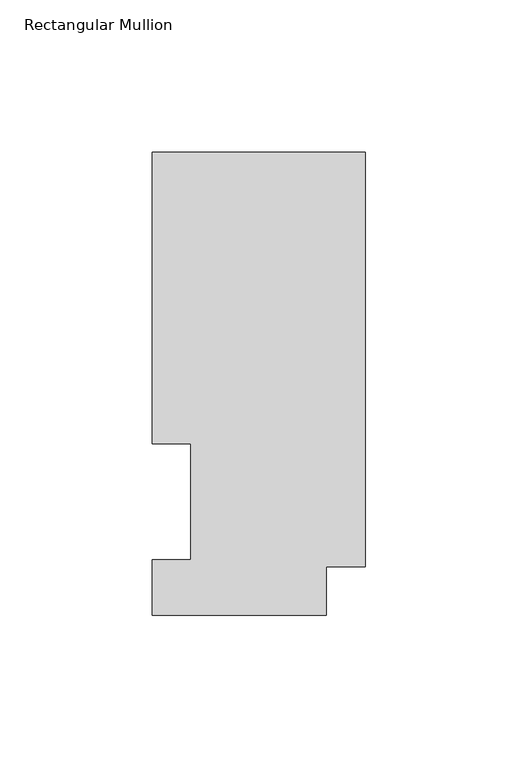
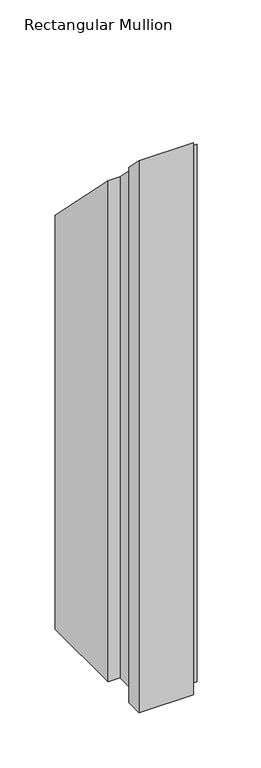
"""IFC4 building model written with IfcOpenShell, lengths in millimetres: member geometry, Rectangular Mullion."""

from ifc_helpers import new_model, si_unit, origin, place, context, project, spatial, faceted_brep, source, transform, mapped, element, save


def rectangular_mullion_bf0d6a37(model_context):
    return source(origin(), model_context, "Body", "Brep", [
        faceted_brep([(-69.9516, 56.35625, -609.6), (-69.9516, 151.98725, -609.6), (0.0, 151.98725, -609.6), (0.0, 15.86865, -609.6), (-12.8016, 15.86865, -609.6), (-12.8016, -0.03175, -609.6), (-69.9516, -0.03175, -609.6), (-69.9516, 18.25625, -609.6), (-57.2516, 18.25625, -609.6), (-57.2516, 56.35625, -609.6), (-57.2516, 56.35625, -56.35625), (-69.9516, 56.35625, -56.35625), (-57.2516, 18.25625, -18.25625), (-69.9516, 18.25625, -18.25625), (-69.9516, -0.03175, 0.03175), (-12.8016, -0.03175, 0.03175), (-12.8016, 15.86865, -15.86865), (0.0, 15.86865, -15.86865), (0.0, 151.98725, -151.98725), (-69.9516, 151.98725, -151.98725)], [[[0, 1, 2, 3, 4, 5, 6, 7, 8, 9]], [[10, 11, 0, 9]], [[12, 10, 9, 8]], [[13, 12, 8, 7]], [[14, 13, 7, 6]], [[15, 14, 6, 5]], [[16, 15, 5, 4]], [[17, 16, 4, 3]], [[18, 17, 3, 2]], [[19, 18, 2, 1]], [[11, 19, 1, 0]], [[11, 10, 12, 13, 14, 15, 16, 17, 18, 19]]]),
    ])


if __name__ == "__main__":
    model = new_model("IFC4")
    model_context = context("Model", 3, world=origin())
    ifc_project = project(units=[si_unit("LENGTHUNIT", "METRE", prefix="MILLI")], contexts=[model_context])
    site = spatial("IfcSite", under=ifc_project)
    building = spatial("IfcBuilding", under=site)
    placement = place(None, origin())
    rectangular_mullion_shape = rectangular_mullion_bf0d6a37(model_context)
    element("IfcMember", 1, ObjectType="Rectangular Mullion", at=placement, inside=building, context=model_context, shape_type="MappedRepresentation", body=[
        mapped(rectangular_mullion_shape, transform((0.0, 0.0, 0.0), x_axis=(1.0, 0.0, 0.0), y_axis=(0.0, 1.0, 0.0), z_axis=(0.0, 0.0, 1.0))),
    ])
    save(model, "model.ifc")
